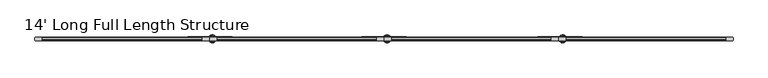
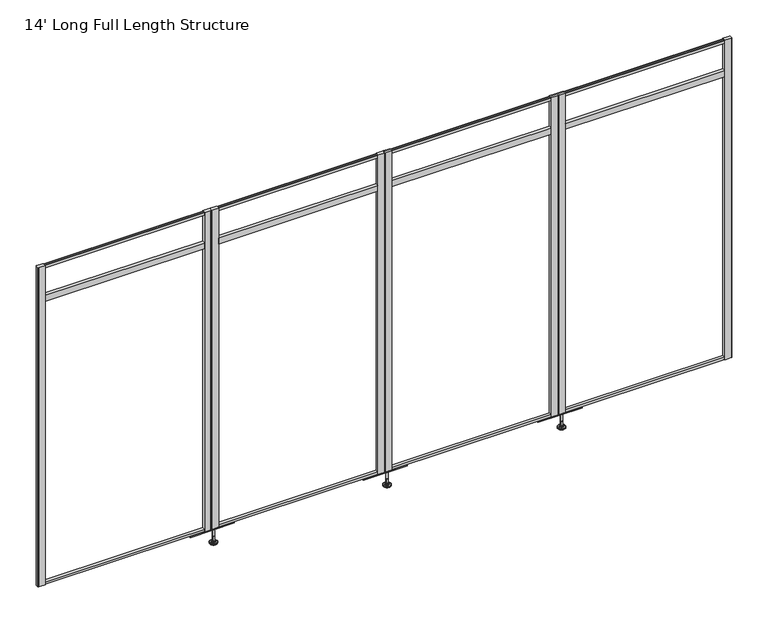
"""IFC4 building model written with IfcOpenShell, lengths in millimetres: furniture geometry, 14' Long Full Length Structure."""

from ifc_helpers import new_model, si_unit, frame, origin, place, context, project, spatial, polyline, circle_curve, outline, extrude, source, transform, mapped, element, save
from ifc_brep_helpers import plane_surface, cylinder_surface, revolved_surface, advanced_brep


def furniture_14_long_full_length_structure_db2d3ff6(model_context):
    return source(origin(), model_context, "Body", "SolidModel", [
        advanced_brep(
        [(1086.6588665, 0.0, 101.6), (1095.6367879, 0.0, 101.6), (1077.6809451, 0.0, 101.6), (1072.5546265, 0.0, 0.0206943), (1100.7631064, 0.0, 0.0206943), (1086.6588665, 0.0, 0.0206943), (1067.6765948, 0.0, 1.4194474), (1105.6411381, 0.0, 1.4194474), (1063.9146798, 0.0, 4.7394056), (1109.4030532, 0.0, 4.7394056), (1062.7972301, 0.0, 7.5051905), (1110.5205028, 0.0, 7.5051905), (1062.7972301, 0.0, 8.3065967), (1110.5205028, 0.0, 8.3065967), (1063.6396333, 0.0, 9.8469348), (1109.6780996, 0.0, 9.8469348), (1064.739776, 0.0, 10.8375077), (1108.577957, 0.0, 10.8375077), (1072.0434712, 0.0, 12.7338946), (1101.2742617, 0.0, 12.7338946), (1079.4616226, 0.0, 13.3828987), (1093.8561104, 0.0, 13.3828987), (1079.4616226, 0.0, 14.1772758), (1093.8561104, 0.0, 14.1772758), (1081.8584154, 0.0, 14.1772758), (1091.4593175, 0.0, 14.1772758), (1081.8584154, 0.0, 18.8098403), (1091.4593175, 0.0, 18.8098403), (1080.8425627, 0.0, 19.8256929), (1092.4751702, 0.0, 19.8256929), (1080.8425627, 0.0, 48.3056352), (1092.4751702, 0.0, 48.3056352), (1079.6190349, 0.0, 49.9293116), (1093.6986981, 0.0, 49.9293116), (1079.6190349, 0.0, 97.327223), (1093.6986981, 0.0, 97.327223), (1078.7379305, 0.0, 97.6479188), (1094.5798025, 0.0, 97.6479188), (1077.6889415, 0.0, 97.6479188), (1095.6287914, 0.0, 97.6479188), (1076.0239116, 0.0, 98.6092242), (1097.2938213, 0.0, 98.6092242), (1076.0239116, 0.0, 100.6043539), (1097.2938213, 0.0, 100.6043539)],
        [
            (0, 1),
            (1, 2, circle_curve(frame((1086.6588665, 0.0, 101.6), z_axis=(0.0, 0.0, 1.0), x_axis=(1.0, 0.0, 0.0)), 8.9779214)),
            (2, 0),
            (2, 1, circle_curve(frame((1086.6588665, 0.0, 101.6), z_axis=(0.0, 0.0, 1.0), x_axis=(1.0, 0.0, 0.0)), 8.9779214)),
            (3, 4, circle_curve(frame((1086.6588665, 0.0, 0.0206943), z_axis=(0.0, 0.0, -1.0), x_axis=(1.0, 0.0, 0.0)), 14.1042399)),
            (4, 5),
            (5, 3),
            (4, 3, circle_curve(frame((1086.6588665, 0.0, 0.0206943), z_axis=(0.0, 0.0, -1.0), x_axis=(1.0, 0.0, 0.0)), 14.1042399)),
            (6, 7, circle_curve(frame((1086.6588665, 0.0, 1.4194474), z_axis=(0.0, 0.0, -1.0), x_axis=(1.0, 0.0, 0.0)), 18.9822717)),
            (7, 4),
            (3, 6),
            (7, 6, circle_curve(frame((1086.6588665, 0.0, 1.4194474), z_axis=(0.0, 0.0, -1.0), x_axis=(1.0, 0.0, 0.0)), 18.9822717)),
            (8, 9, circle_curve(frame((1086.6588665, 0.0, 4.7394056), z_axis=(0.0, 0.0, -1.0), x_axis=(1.0, 0.0, 0.0)), 22.7441867)),
            (9, 7),
            (6, 8),
            (9, 8, circle_curve(frame((1086.6588665, 0.0, 4.7394056), z_axis=(0.0, 0.0, -1.0), x_axis=(1.0, 0.0, 0.0)), 22.7441867)),
            (10, 11, circle_curve(frame((1086.6588665, 0.0, 7.5051905), z_axis=(0.0, 0.0, -1.0), x_axis=(1.0, 0.0, 0.0)), 23.8616363)),
            (11, 9),
            (8, 10),
            (11, 10, circle_curve(frame((1086.6588665, 0.0, 7.5051905), z_axis=(0.0, 0.0, -1.0), x_axis=(1.0, 0.0, 0.0)), 23.8616363)),
            (12, 13, circle_curve(frame((1086.6588665, 0.0, 8.3065967), z_axis=(0.0, 0.0, -1.0), x_axis=(1.0, 0.0, 0.0)), 23.8616363)),
            (13, 11),
            (10, 12),
            (13, 12, circle_curve(frame((1086.6588665, 0.0, 8.3065967), z_axis=(0.0, 0.0, -1.0), x_axis=(1.0, 0.0, 0.0)), 23.8616363)),
            (14, 15, circle_curve(frame((1086.6588665, 0.0, 9.8469348), z_axis=(0.0, 0.0, -1.0), x_axis=(1.0, 0.0, 0.0)), 23.0192331)),
            (15, 13),
            (12, 14),
            (15, 14, circle_curve(frame((1086.6588665, 0.0, 9.8469348), z_axis=(0.0, 0.0, -1.0), x_axis=(1.0, 0.0, 0.0)), 23.0192331)),
            (16, 17, circle_curve(frame((1086.6588665, 0.0, 10.8375077), z_axis=(0.0, 0.0, -1.0), x_axis=(1.0, 0.0, 0.0)), 21.9190905)),
            (17, 15),
            (14, 16),
            (17, 16, circle_curve(frame((1086.6588665, 0.0, 10.8375077), z_axis=(0.0, 0.0, -1.0), x_axis=(1.0, 0.0, 0.0)), 21.9190905)),
            (18, 19, circle_curve(frame((1086.6588665, 0.0, 12.7338946), z_axis=(0.0, 0.0, -1.0), x_axis=(1.0, 0.0, 0.0)), 14.6153953)),
            (19, 17),
            (16, 18),
            (19, 18, circle_curve(frame((1086.6588665, 0.0, 12.7338946), z_axis=(0.0, 0.0, -1.0), x_axis=(1.0, 0.0, 0.0)), 14.6153953)),
            (20, 21, circle_curve(frame((1086.6588665, 0.0, 13.3828987), z_axis=(0.0, 0.0, -1.0), x_axis=(1.0, 0.0, 0.0)), 7.1972439)),
            (21, 19),
            (18, 20),
            (21, 20, circle_curve(frame((1086.6588665, 0.0, 13.3828987), z_axis=(0.0, 0.0, -1.0), x_axis=(1.0, 0.0, 0.0)), 7.1972439)),
            (22, 23, circle_curve(frame((1086.6588665, 0.0, 14.1772758), z_axis=(0.0, 0.0, -1.0), x_axis=(1.0, 0.0, 0.0)), 7.1972439)),
            (23, 21),
            (20, 22),
            (23, 22, circle_curve(frame((1086.6588665, 0.0, 14.1772758), z_axis=(0.0, 0.0, -1.0), x_axis=(1.0, 0.0, 0.0)), 7.1972439)),
            (24, 25, circle_curve(frame((1086.6588665, 0.0, 14.1772758), z_axis=(0.0, 0.0, -1.0), x_axis=(1.0, 0.0, 0.0)), 4.8004511)),
            (25, 23),
            (22, 24),
            (25, 24, circle_curve(frame((1086.6588665, 0.0, 14.1772758), z_axis=(0.0, 0.0, -1.0), x_axis=(1.0, 0.0, 0.0)), 4.8004511)),
            (26, 27, circle_curve(frame((1086.6588665, 0.0, 18.8098403), z_axis=(0.0, 0.0, -1.0), x_axis=(1.0, 0.0, 0.0)), 4.8004511)),
            (27, 25),
            (24, 26),
            (27, 26, circle_curve(frame((1086.6588665, 0.0, 18.8098403), z_axis=(0.0, 0.0, -1.0), x_axis=(1.0, 0.0, 0.0)), 4.8004511)),
            (28, 29, circle_curve(frame((1086.6588665, 0.0, 19.8256929), z_axis=(0.0, 0.0, -1.0), x_axis=(1.0, 0.0, 0.0)), 5.8163037)),
            (29, 27),
            (26, 28),
            (29, 28, circle_curve(frame((1086.6588665, 0.0, 19.8256929), z_axis=(0.0, 0.0, -1.0), x_axis=(1.0, 0.0, 0.0)), 5.8163037)),
            (30, 31, circle_curve(frame((1086.6588665, 0.0, 48.3056352), z_axis=(0.0, 0.0, -1.0), x_axis=(1.0, 0.0, 0.0)), 5.8163037)),
            (31, 29),
            (28, 30),
            (31, 30, circle_curve(frame((1086.6588665, 0.0, 48.3056352), z_axis=(0.0, 0.0, -1.0), x_axis=(1.0, 0.0, 0.0)), 5.8163037)),
            (32, 33, circle_curve(frame((1086.6588665, 0.0, 49.9293116), z_axis=(0.0, 0.0, -1.0), x_axis=(1.0, 0.0, 0.0)), 7.0398316)),
            (33, 31),
            (30, 32),
            (33, 32, circle_curve(frame((1086.6588665, 0.0, 49.9293116), z_axis=(0.0, 0.0, -1.0), x_axis=(1.0, 0.0, 0.0)), 7.0398316)),
            (34, 35, circle_curve(frame((1086.6588665, 0.0, 97.327223), z_axis=(0.0, 0.0, -1.0), x_axis=(1.0, 0.0, 0.0)), 7.0398316)),
            (35, 33),
            (32, 34),
            (35, 34, circle_curve(frame((1086.6588665, 0.0, 97.327223), z_axis=(0.0, 0.0, -1.0), x_axis=(1.0, 0.0, 0.0)), 7.0398316)),
            (36, 37, circle_curve(frame((1086.6588665, 0.0, 97.6479188), z_axis=(0.0, 0.0, -1.0), x_axis=(1.0, 0.0, 0.0)), 7.920936)),
            (37, 35),
            (34, 36),
            (37, 36, circle_curve(frame((1086.6588665, 0.0, 97.6479188), z_axis=(0.0, 0.0, -1.0), x_axis=(1.0, 0.0, 0.0)), 7.920936)),
            (38, 39, circle_curve(frame((1086.6588665, 0.0, 97.6479188), z_axis=(0.0, 0.0, -1.0), x_axis=(1.0, 0.0, 0.0)), 8.9699249)),
            (39, 37),
            (36, 38),
            (39, 38, circle_curve(frame((1086.6588665, 0.0, 97.6479188), z_axis=(0.0, 0.0, -1.0), x_axis=(1.0, 0.0, 0.0)), 8.9699249)),
            (40, 41, circle_curve(frame((1086.6588665, 0.0, 98.6092242), z_axis=(0.0, 0.0, -1.0), x_axis=(1.0, 0.0, 0.0)), 10.6349548)),
            (41, 39),
            (38, 40),
            (41, 40, circle_curve(frame((1086.6588665, 0.0, 98.6092242), z_axis=(0.0, 0.0, -1.0), x_axis=(1.0, 0.0, 0.0)), 10.6349548)),
            (42, 43, circle_curve(frame((1086.6588665, 0.0, 100.6043539), z_axis=(0.0, 0.0, -1.0), x_axis=(1.0, 0.0, 0.0)), 10.6349548)),
            (43, 41),
            (40, 42),
            (43, 42, circle_curve(frame((1086.6588665, 0.0, 100.6043539), z_axis=(0.0, 0.0, -1.0), x_axis=(1.0, 0.0, 0.0)), 10.6349548)),
            (1, 43),
            (42, 2),
        ],
        [
            plane_surface(frame((1086.6588665, 0.0, 101.6), z_axis=(0.0, 0.0, 1.0), x_axis=(1.0, 0.0, 0.0))),
            plane_surface(frame((1086.6588665, 0.0, 0.0206943), z_axis=(0.0, 0.0, -1.0), x_axis=(1.0, 0.0, 0.0))),
            revolved_surface(polyline([(1100.7631064, 0.0, 0.0206943), (1105.6411381, 0.0, 1.4194474)]), (1086.6588665, 0.0, 101.6), (0.0, 0.0, 1.0)),
            revolved_surface(polyline([(1105.6411381, 0.0, 1.4194474), (1109.4030532, 0.0, 4.7394056)]), (1086.6588665, 0.0, 101.6), (0.0, 0.0, 1.0)),
            revolved_surface(polyline([(1109.4030532, 0.0, 4.7394056), (1110.5205028, 0.0, 7.5051905)]), (1086.6588665, 0.0, 101.6), (0.0, 0.0, 1.0)),
            cylinder_surface(frame((1086.6588665, 0.0, 101.6), z_axis=(0.0, 0.0, 1.0), x_axis=(1.0, 0.0, 0.0)), 23.8616363),
            revolved_surface(polyline([(1110.5205028, 0.0, 8.3065967), (1109.6780996, 0.0, 9.8469348)]), (1086.6588665, 0.0, 101.6), (0.0, 0.0, 1.0)),
            revolved_surface(polyline([(1109.6780996, 0.0, 9.8469348), (1108.577957, 0.0, 10.8375077)]), (1086.6588665, 0.0, 101.6), (0.0, 0.0, 1.0)),
            revolved_surface(polyline([(1108.577957, 0.0, 10.8375077), (1101.2742617, 0.0, 12.7338946)]), (1086.6588665, 0.0, 101.6), (0.0, 0.0, 1.0)),
            revolved_surface(polyline([(1101.2742617, 0.0, 12.7338946), (1093.8561104, 0.0, 13.3828987)]), (1086.6588665, 0.0, 101.6), (0.0, 0.0, 1.0)),
            cylinder_surface(frame((1086.6588665, 0.0, 101.6), z_axis=(0.0, 0.0, 1.0), x_axis=(1.0, 0.0, 0.0)), 7.1972439),
            plane_surface(frame((1086.6588665, 0.0, 14.1772758), z_axis=(0.0, 0.0, 1.0), x_axis=(1.0, 0.0, 0.0))),
            cylinder_surface(frame((1086.6588665, 0.0, 101.6), z_axis=(0.0, 0.0, 1.0), x_axis=(1.0, 0.0, 0.0)), 4.8004511),
            revolved_surface(polyline([(1091.4593175, 0.0, 18.8098403), (1092.4751702, 0.0, 19.8256929)]), (1086.6588665, 0.0, 101.6), (0.0, 0.0, 1.0)),
            cylinder_surface(frame((1086.6588665, 0.0, 101.6), z_axis=(0.0, 0.0, 1.0), x_axis=(1.0, 0.0, 0.0)), 5.8163037),
            revolved_surface(polyline([(1092.4751702, 0.0, 48.3056352), (1093.6986981, 0.0, 49.9293116)]), (1086.6588665, 0.0, 101.6), (0.0, 0.0, 1.0)),
            cylinder_surface(frame((1086.6588665, 0.0, 101.6), z_axis=(0.0, 0.0, 1.0), x_axis=(1.0, 0.0, 0.0)), 7.0398316),
            revolved_surface(polyline([(1093.6986981, 0.0, 97.327223), (1094.5798025, 0.0, 97.6479188)]), (1086.6588665, 0.0, 101.6), (0.0, 0.0, 1.0)),
            plane_surface(frame((1086.6588665, 0.0, 97.6479188), z_axis=(0.0, 0.0, -1.0), x_axis=(1.0, 0.0, 0.0))),
            revolved_surface(polyline([(1095.6287914, 0.0, 97.6479188), (1097.2938213, 0.0, 98.6092242)]), (1086.6588665, 0.0, 101.6), (0.0, 0.0, 1.0)),
            cylinder_surface(frame((1086.6588665, 0.0, 101.6), z_axis=(0.0, 0.0, 1.0), x_axis=(1.0, 0.0, 0.0)), 10.6349548),
            revolved_surface(polyline([(1097.2938213, 0.0, 100.6043539), (1095.6367879, 0.0, 101.6)]), (1086.6588665, 0.0, 101.6), (0.0, 0.0, 1.0)),
        ],
        [
            (0, [[1, 2, 3]]),
            (0, [[-3, 4, -1]]),
            (1, [[5, 6, 7]]),
            (1, [[8, -7, -6]]),
            (2, [[9, 10, -5, 11]]),
            (2, [[12, -11, -8, -10]]),
            (3, [[13, 14, -9, 15]]),
            (3, [[16, -15, -12, -14]]),
            (4, [[17, 18, -13, 19]]),
            (4, [[20, -19, -16, -18]]),
            (5, [[21, 22, -17, 23]]),
            (5, [[24, -23, -20, -22]]),
            (6, [[25, 26, -21, 27]]),
            (6, [[28, -27, -24, -26]]),
            (7, [[29, 30, -25, 31]]),
            (7, [[32, -31, -28, -30]]),
            (8, [[33, 34, -29, 35]]),
            (8, [[36, -35, -32, -34]]),
            (9, [[37, 38, -33, 39]]),
            (9, [[40, -39, -36, -38]]),
            (10, [[41, 42, -37, 43]]),
            (10, [[44, -43, -40, -42]]),
            (11, [[45, 46, -41, 47]]),
            (11, [[48, -47, -44, -46]]),
            (12, [[49, 50, -45, 51]]),
            (12, [[52, -51, -48, -50]]),
            (13, [[53, 54, -49, 55]]),
            (13, [[56, -55, -52, -54]]),
            (14, [[57, 58, -53, 59]]),
            (14, [[60, -59, -56, -58]]),
            (15, [[61, 62, -57, 63]]),
            (15, [[64, -63, -60, -62]]),
            (16, [[65, 66, -61, 67]]),
            (16, [[68, -67, -64, -66]]),
            (17, [[69, 70, -65, 71]]),
            (17, [[72, -71, -68, -70]]),
            (18, [[73, 74, -69, 75]]),
            (18, [[76, -75, -72, -74]]),
            (19, [[77, 78, -73, 79]]),
            (19, [[80, -79, -76, -78]]),
            (20, [[81, 82, -77, 83]]),
            (20, [[84, -83, -80, -82]]),
            (21, [[-2, 85, -81, 86]]),
            (21, [[-4, -86, -84, -85]]),
        ],
    ),
        advanced_brep(
        [(2156.5576665, 0.0, 101.6), (2165.5355879, 0.0, 101.6), (2147.5797451, 0.0, 101.6), (2142.4534265, 0.0, 0.0206943), (2170.6619064, 0.0, 0.0206943), (2156.5576665, 0.0, 0.0206943), (2137.5753948, 0.0, 1.4194474), (2175.5399381, 0.0, 1.4194474), (2133.8134798, 0.0, 4.7394056), (2179.3018532, 0.0, 4.7394056), (2132.6960301, 0.0, 7.5051905), (2180.4193028, 0.0, 7.5051905), (2132.6960301, 0.0, 8.3065967), (2180.4193028, 0.0, 8.3065967), (2133.5384333, 0.0, 9.8469348), (2179.5768996, 0.0, 9.8469348), (2134.638576, 0.0, 10.8375077), (2178.476757, 0.0, 10.8375077), (2141.9422712, 0.0, 12.7338946), (2171.1730617, 0.0, 12.7338946), (2149.3604226, 0.0, 13.3828987), (2163.7549104, 0.0, 13.3828987), (2149.3604226, 0.0, 14.1772758), (2163.7549104, 0.0, 14.1772758), (2151.7572154, 0.0, 14.1772758), (2161.3581175, 0.0, 14.1772758), (2151.7572154, 0.0, 18.8098403), (2161.3581175, 0.0, 18.8098403), (2150.7413627, 0.0, 19.8256929), (2162.3739702, 0.0, 19.8256929), (2150.7413627, 0.0, 48.3056352), (2162.3739702, 0.0, 48.3056352), (2149.5178349, 0.0, 49.9293116), (2163.5974981, 0.0, 49.9293116), (2149.5178349, 0.0, 97.327223), (2163.5974981, 0.0, 97.327223), (2148.6367305, 0.0, 97.6479188), (2164.4786025, 0.0, 97.6479188), (2147.5877415, 0.0, 97.6479188), (2165.5275914, 0.0, 97.6479188), (2145.9227116, 0.0, 98.6092242), (2167.1926213, 0.0, 98.6092242), (2145.9227116, 0.0, 100.6043539), (2167.1926213, 0.0, 100.6043539)],
        [
            (0, 1),
            (1, 2, circle_curve(frame((2156.5576665, 0.0, 101.6), z_axis=(0.0, 0.0, 1.0), x_axis=(1.0, 0.0, 0.0)), 8.9779214)),
            (2, 0),
            (2, 1, circle_curve(frame((2156.5576665, 0.0, 101.6), z_axis=(0.0, 0.0, 1.0), x_axis=(1.0, 0.0, 0.0)), 8.9779214)),
            (3, 4, circle_curve(frame((2156.5576665, 0.0, 0.0206943), z_axis=(0.0, 0.0, -1.0), x_axis=(1.0, 0.0, 0.0)), 14.1042399)),
            (4, 5),
            (5, 3),
            (4, 3, circle_curve(frame((2156.5576665, 0.0, 0.0206943), z_axis=(0.0, 0.0, -1.0), x_axis=(1.0, 0.0, 0.0)), 14.1042399)),
            (6, 7, circle_curve(frame((2156.5576665, 0.0, 1.4194474), z_axis=(0.0, 0.0, -1.0), x_axis=(1.0, 0.0, 0.0)), 18.9822717)),
            (7, 4),
            (3, 6),
            (7, 6, circle_curve(frame((2156.5576665, 0.0, 1.4194474), z_axis=(0.0, 0.0, -1.0), x_axis=(1.0, 0.0, 0.0)), 18.9822717)),
            (8, 9, circle_curve(frame((2156.5576665, 0.0, 4.7394056), z_axis=(0.0, 0.0, -1.0), x_axis=(1.0, 0.0, 0.0)), 22.7441867)),
            (9, 7),
            (6, 8),
            (9, 8, circle_curve(frame((2156.5576665, 0.0, 4.7394056), z_axis=(0.0, 0.0, -1.0), x_axis=(1.0, 0.0, 0.0)), 22.7441867)),
            (10, 11, circle_curve(frame((2156.5576665, 0.0, 7.5051905), z_axis=(0.0, 0.0, -1.0), x_axis=(1.0, 0.0, 0.0)), 23.8616363)),
            (11, 9),
            (8, 10),
            (11, 10, circle_curve(frame((2156.5576665, 0.0, 7.5051905), z_axis=(0.0, 0.0, -1.0), x_axis=(1.0, 0.0, 0.0)), 23.8616363)),
            (12, 13, circle_curve(frame((2156.5576665, 0.0, 8.3065967), z_axis=(0.0, 0.0, -1.0), x_axis=(1.0, 0.0, 0.0)), 23.8616363)),
            (13, 11),
            (10, 12),
            (13, 12, circle_curve(frame((2156.5576665, 0.0, 8.3065967), z_axis=(0.0, 0.0, -1.0), x_axis=(1.0, 0.0, 0.0)), 23.8616363)),
            (14, 15, circle_curve(frame((2156.5576665, 0.0, 9.8469348), z_axis=(0.0, 0.0, -1.0), x_axis=(1.0, 0.0, 0.0)), 23.0192331)),
            (15, 13),
            (12, 14),
            (15, 14, circle_curve(frame((2156.5576665, 0.0, 9.8469348), z_axis=(0.0, 0.0, -1.0), x_axis=(1.0, 0.0, 0.0)), 23.0192331)),
            (16, 17, circle_curve(frame((2156.5576665, 0.0, 10.8375077), z_axis=(0.0, 0.0, -1.0), x_axis=(1.0, 0.0, 0.0)), 21.9190905)),
            (17, 15),
            (14, 16),
            (17, 16, circle_curve(frame((2156.5576665, 0.0, 10.8375077), z_axis=(0.0, 0.0, -1.0), x_axis=(1.0, 0.0, 0.0)), 21.9190905)),
            (18, 19, circle_curve(frame((2156.5576665, 0.0, 12.7338946), z_axis=(0.0, 0.0, -1.0), x_axis=(1.0, 0.0, 0.0)), 14.6153953)),
            (19, 17),
            (16, 18),
            (19, 18, circle_curve(frame((2156.5576665, 0.0, 12.7338946), z_axis=(0.0, 0.0, -1.0), x_axis=(1.0, 0.0, 0.0)), 14.6153953)),
            (20, 21, circle_curve(frame((2156.5576665, 0.0, 13.3828987), z_axis=(0.0, 0.0, -1.0), x_axis=(1.0, 0.0, 0.0)), 7.1972439)),
            (21, 19),
            (18, 20),
            (21, 20, circle_curve(frame((2156.5576665, 0.0, 13.3828987), z_axis=(0.0, 0.0, -1.0), x_axis=(1.0, 0.0, 0.0)), 7.1972439)),
            (22, 23, circle_curve(frame((2156.5576665, 0.0, 14.1772758), z_axis=(0.0, 0.0, -1.0), x_axis=(1.0, 0.0, 0.0)), 7.1972439)),
            (23, 21),
            (20, 22),
            (23, 22, circle_curve(frame((2156.5576665, 0.0, 14.1772758), z_axis=(0.0, 0.0, -1.0), x_axis=(1.0, 0.0, 0.0)), 7.1972439)),
            (24, 25, circle_curve(frame((2156.5576665, 0.0, 14.1772758), z_axis=(0.0, 0.0, -1.0), x_axis=(1.0, 0.0, 0.0)), 4.8004511)),
            (25, 23),
            (22, 24),
            (25, 24, circle_curve(frame((2156.5576665, 0.0, 14.1772758), z_axis=(0.0, 0.0, -1.0), x_axis=(1.0, 0.0, 0.0)), 4.8004511)),
            (26, 27, circle_curve(frame((2156.5576665, 0.0, 18.8098403), z_axis=(0.0, 0.0, -1.0), x_axis=(1.0, 0.0, 0.0)), 4.8004511)),
            (27, 25),
            (24, 26),
            (27, 26, circle_curve(frame((2156.5576665, 0.0, 18.8098403), z_axis=(0.0, 0.0, -1.0), x_axis=(1.0, 0.0, 0.0)), 4.8004511)),
            (28, 29, circle_curve(frame((2156.5576665, 0.0, 19.8256929), z_axis=(0.0, 0.0, -1.0), x_axis=(1.0, 0.0, 0.0)), 5.8163037)),
            (29, 27),
            (26, 28),
            (29, 28, circle_curve(frame((2156.5576665, 0.0, 19.8256929), z_axis=(0.0, 0.0, -1.0), x_axis=(1.0, 0.0, 0.0)), 5.8163037)),
            (30, 31, circle_curve(frame((2156.5576665, 0.0, 48.3056352), z_axis=(0.0, 0.0, -1.0), x_axis=(1.0, 0.0, 0.0)), 5.8163037)),
            (31, 29),
            (28, 30),
            (31, 30, circle_curve(frame((2156.5576665, 0.0, 48.3056352), z_axis=(0.0, 0.0, -1.0), x_axis=(1.0, 0.0, 0.0)), 5.8163037)),
            (32, 33, circle_curve(frame((2156.5576665, 0.0, 49.9293116), z_axis=(0.0, 0.0, -1.0), x_axis=(1.0, 0.0, 0.0)), 7.0398316)),
            (33, 31),
            (30, 32),
            (33, 32, circle_curve(frame((2156.5576665, 0.0, 49.9293116), z_axis=(0.0, 0.0, -1.0), x_axis=(1.0, 0.0, 0.0)), 7.0398316)),
            (34, 35, circle_curve(frame((2156.5576665, 0.0, 97.327223), z_axis=(0.0, 0.0, -1.0), x_axis=(1.0, 0.0, 0.0)), 7.0398316)),
            (35, 33),
            (32, 34),
            (35, 34, circle_curve(frame((2156.5576665, 0.0, 97.327223), z_axis=(0.0, 0.0, -1.0), x_axis=(1.0, 0.0, 0.0)), 7.0398316)),
            (36, 37, circle_curve(frame((2156.5576665, 0.0, 97.6479188), z_axis=(0.0, 0.0, -1.0), x_axis=(1.0, 0.0, 0.0)), 7.920936)),
            (37, 35),
            (34, 36),
            (37, 36, circle_curve(frame((2156.5576665, 0.0, 97.6479188), z_axis=(0.0, 0.0, -1.0), x_axis=(1.0, 0.0, 0.0)), 7.920936)),
            (38, 39, circle_curve(frame((2156.5576665, 0.0, 97.6479188), z_axis=(0.0, 0.0, -1.0), x_axis=(1.0, 0.0, 0.0)), 8.9699249)),
            (39, 37),
            (36, 38),
            (39, 38, circle_curve(frame((2156.5576665, 0.0, 97.6479188), z_axis=(0.0, 0.0, -1.0), x_axis=(1.0, 0.0, 0.0)), 8.9699249)),
            (40, 41, circle_curve(frame((2156.5576665, 0.0, 98.6092242), z_axis=(0.0, 0.0, -1.0), x_axis=(1.0, 0.0, 0.0)), 10.6349548)),
            (41, 39),
            (38, 40),
            (41, 40, circle_curve(frame((2156.5576665, 0.0, 98.6092242), z_axis=(0.0, 0.0, -1.0), x_axis=(1.0, 0.0, 0.0)), 10.6349548)),
            (42, 43, circle_curve(frame((2156.5576665, 0.0, 100.6043539), z_axis=(0.0, 0.0, -1.0), x_axis=(1.0, 0.0, 0.0)), 10.6349548)),
            (43, 41),
            (40, 42),
            (43, 42, circle_curve(frame((2156.5576665, 0.0, 100.6043539), z_axis=(0.0, 0.0, -1.0), x_axis=(1.0, 0.0, 0.0)), 10.6349548)),
            (1, 43),
            (42, 2),
        ],
        [
            plane_surface(frame((2156.5576665, 0.0, 101.6), z_axis=(0.0, 0.0, 1.0), x_axis=(1.0, 0.0, 0.0))),
            plane_surface(frame((2156.5576665, 0.0, 0.0206943), z_axis=(0.0, 0.0, -1.0), x_axis=(1.0, 0.0, 0.0))),
            revolved_surface(polyline([(2170.6619064, 0.0, 0.0206943), (2175.5399381, 0.0, 1.4194474)]), (2156.5576665, 0.0, 101.6), (0.0, 0.0, 1.0)),
            revolved_surface(polyline([(2175.5399381, 0.0, 1.4194474), (2179.3018532, 0.0, 4.7394056)]), (2156.5576665, 0.0, 101.6), (0.0, 0.0, 1.0)),
            revolved_surface(polyline([(2179.3018532, 0.0, 4.7394056), (2180.4193028, 0.0, 7.5051905)]), (2156.5576665, 0.0, 101.6), (0.0, 0.0, 1.0)),
            cylinder_surface(frame((2156.5576665, 0.0, 101.6), z_axis=(0.0, 0.0, 1.0), x_axis=(1.0, 0.0, 0.0)), 23.8616363),
            revolved_surface(polyline([(2180.4193028, 0.0, 8.3065967), (2179.5768996, 0.0, 9.8469348)]), (2156.5576665, 0.0, 101.6), (0.0, 0.0, 1.0)),
            revolved_surface(polyline([(2179.5768996, 0.0, 9.8469348), (2178.476757, 0.0, 10.8375077)]), (2156.5576665, 0.0, 101.6), (0.0, 0.0, 1.0)),
            revolved_surface(polyline([(2178.476757, 0.0, 10.8375077), (2171.1730617, 0.0, 12.7338946)]), (2156.5576665, 0.0, 101.6), (0.0, 0.0, 1.0)),
            revolved_surface(polyline([(2171.1730617, 0.0, 12.7338946), (2163.7549104, 0.0, 13.3828987)]), (2156.5576665, 0.0, 101.6), (0.0, 0.0, 1.0)),
            cylinder_surface(frame((2156.5576665, 0.0, 101.6), z_axis=(0.0, 0.0, 1.0), x_axis=(1.0, 0.0, 0.0)), 7.1972439),
            plane_surface(frame((2156.5576665, 0.0, 14.1772758), z_axis=(0.0, 0.0, 1.0), x_axis=(1.0, 0.0, 0.0))),
            cylinder_surface(frame((2156.5576665, 0.0, 101.6), z_axis=(0.0, 0.0, 1.0), x_axis=(1.0, 0.0, 0.0)), 4.8004511),
            revolved_surface(polyline([(2161.3581175, 0.0, 18.8098403), (2162.3739702, 0.0, 19.8256929)]), (2156.5576665, 0.0, 101.6), (0.0, 0.0, 1.0)),
            cylinder_surface(frame((2156.5576665, 0.0, 101.6), z_axis=(0.0, 0.0, 1.0), x_axis=(1.0, 0.0, 0.0)), 5.8163037),
            revolved_surface(polyline([(2162.3739702, 0.0, 48.3056352), (2163.5974981, 0.0, 49.9293116)]), (2156.5576665, 0.0, 101.6), (0.0, 0.0, 1.0)),
            cylinder_surface(frame((2156.5576665, 0.0, 101.6), z_axis=(0.0, 0.0, 1.0), x_axis=(1.0, 0.0, 0.0)), 7.0398316),
            revolved_surface(polyline([(2163.5974981, 0.0, 97.327223), (2164.4786025, 0.0, 97.6479188)]), (2156.5576665, 0.0, 101.6), (0.0, 0.0, 1.0)),
            plane_surface(frame((2156.5576665, 0.0, 97.6479188), z_axis=(0.0, 0.0, -1.0), x_axis=(1.0, 0.0, 0.0))),
            revolved_surface(polyline([(2165.5275914, 0.0, 97.6479188), (2167.1926213, 0.0, 98.6092242)]), (2156.5576665, 0.0, 101.6), (0.0, 0.0, 1.0)),
            cylinder_surface(frame((2156.5576665, 0.0, 101.6), z_axis=(0.0, 0.0, 1.0), x_axis=(1.0, 0.0, 0.0)), 10.6349548),
            revolved_surface(polyline([(2167.1926213, 0.0, 100.6043539), (2165.5355879, 0.0, 101.6)]), (2156.5576665, 0.0, 101.6), (0.0, 0.0, 1.0)),
        ],
        [
            (0, [[1, 2, 3]]),
            (0, [[-3, 4, -1]]),
            (1, [[5, 6, 7]]),
            (1, [[8, -7, -6]]),
            (2, [[9, 10, -5, 11]]),
            (2, [[12, -11, -8, -10]]),
            (3, [[13, 14, -9, 15]]),
            (3, [[16, -15, -12, -14]]),
            (4, [[17, 18, -13, 19]]),
            (4, [[20, -19, -16, -18]]),
            (5, [[21, 22, -17, 23]]),
            (5, [[24, -23, -20, -22]]),
            (6, [[25, 26, -21, 27]]),
            (6, [[28, -27, -24, -26]]),
            (7, [[29, 30, -25, 31]]),
            (7, [[32, -31, -28, -30]]),
            (8, [[33, 34, -29, 35]]),
            (8, [[36, -35, -32, -34]]),
            (9, [[37, 38, -33, 39]]),
            (9, [[40, -39, -36, -38]]),
            (10, [[41, 42, -37, 43]]),
            (10, [[44, -43, -40, -42]]),
            (11, [[45, 46, -41, 47]]),
            (11, [[48, -47, -44, -46]]),
            (12, [[49, 50, -45, 51]]),
            (12, [[52, -51, -48, -50]]),
            (13, [[53, 54, -49, 55]]),
            (13, [[56, -55, -52, -54]]),
            (14, [[57, 58, -53, 59]]),
            (14, [[60, -59, -56, -58]]),
            (15, [[61, 62, -57, 63]]),
            (15, [[64, -63, -60, -62]]),
            (16, [[65, 66, -61, 67]]),
            (16, [[68, -67, -64, -66]]),
            (17, [[69, 70, -65, 71]]),
            (17, [[72, -71, -68, -70]]),
            (18, [[73, 74, -69, 75]]),
            (18, [[76, -75, -72, -74]]),
            (19, [[77, 78, -73, 79]]),
            (19, [[80, -79, -76, -78]]),
            (20, [[81, 82, -77, 83]]),
            (20, [[84, -83, -80, -82]]),
            (21, [[-2, 85, -81, 86]]),
            (21, [[-4, -86, -84, -85]]),
        ],
    ),
        advanced_brep(
        [(3231.9255716, 0.0, 101.6), (3240.903493, 0.0, 101.6), (3222.9476502, 0.0, 101.6), (3246.0298115, 0.0, 0.0206943), (3231.9255716, 0.0, 0.0206943), (3217.8213317, 0.0, 0.0206943), (3250.9078433, 0.0, 1.4194474), (3212.9432999, 0.0, 1.4194474), (3254.6697583, 0.0, 4.7394056), (3209.1813849, 0.0, 4.7394056), (3255.7872079, 0.0, 7.5051905), (3208.0639353, 0.0, 7.5051905), (3255.7872079, 0.0, 8.3065967), (3208.0639353, 0.0, 8.3065967), (3254.9448047, 0.0, 9.8469348), (3208.9063385, 0.0, 9.8469348), (3253.8446621, 0.0, 10.8375077), (3210.0064811, 0.0, 10.8375077), (3246.5409669, 0.0, 12.7338946), (3217.3101763, 0.0, 12.7338946), (3239.1228155, 0.0, 13.3828987), (3224.7283277, 0.0, 13.3828987), (3239.1228155, 0.0, 14.1772758), (3224.7283277, 0.0, 14.1772758), (3236.7260227, 0.0, 14.1772758), (3227.1251205, 0.0, 14.1772758), (3236.7260227, 0.0, 18.8098403), (3227.1251205, 0.0, 18.8098403), (3237.7418753, 0.0, 19.8256929), (3226.1092679, 0.0, 19.8256929), (3237.7418753, 0.0, 48.3056352), (3226.1092679, 0.0, 48.3056352), (3238.9654032, 0.0, 49.9293116), (3224.88574, 0.0, 49.9293116), (3238.9654032, 0.0, 97.327223), (3224.88574, 0.0, 97.327223), (3239.8465076, 0.0, 97.6479188), (3224.0046356, 0.0, 97.6479188), (3240.8954965, 0.0, 97.6479188), (3222.9556467, 0.0, 97.6479188), (3242.5605264, 0.0, 98.6092242), (3221.2906168, 0.0, 98.6092242), (3242.5605264, 0.0, 100.6043539), (3221.2906168, 0.0, 100.6043539)],
        [
            (0, 1),
            (1, 2, circle_curve(frame((3231.9255716, 0.0, 101.6), z_axis=(0.0, 0.0, 1.0), x_axis=(-1.0, 0.0, 0.0)), 8.9779214)),
            (2, 0),
            (2, 1, circle_curve(frame((3231.9255716, 0.0, 101.6), z_axis=(0.0, 0.0, 1.0), x_axis=(-1.0, 0.0, 0.0)), 8.9779214)),
            (3, 4),
            (4, 5),
            (5, 3, circle_curve(frame((3231.9255716, 0.0, 0.0206943), z_axis=(0.0, 0.0, -1.0), x_axis=(-1.0, 0.0, 0.0)), 14.1042399)),
            (3, 5, circle_curve(frame((3231.9255716, 0.0, 0.0206943), z_axis=(0.0, 0.0, -1.0), x_axis=(-1.0, 0.0, 0.0)), 14.1042399)),
            (6, 3),
            (5, 7),
            (7, 6, circle_curve(frame((3231.9255716, 0.0, 1.4194474), z_axis=(0.0, 0.0, -1.0), x_axis=(-1.0, 0.0, 0.0)), 18.9822717)),
            (6, 7, circle_curve(frame((3231.9255716, 0.0, 1.4194474), z_axis=(0.0, 0.0, -1.0), x_axis=(-1.0, 0.0, 0.0)), 18.9822717)),
            (8, 6),
            (7, 9),
            (9, 8, circle_curve(frame((3231.9255716, 0.0, 4.7394056), z_axis=(0.0, 0.0, -1.0), x_axis=(-1.0, 0.0, 0.0)), 22.7441867)),
            (8, 9, circle_curve(frame((3231.9255716, 0.0, 4.7394056), z_axis=(0.0, 0.0, -1.0), x_axis=(-1.0, 0.0, 0.0)), 22.7441867)),
            (10, 8),
            (9, 11),
            (11, 10, circle_curve(frame((3231.9255716, 0.0, 7.5051905), z_axis=(0.0, 0.0, -1.0), x_axis=(-1.0, 0.0, 0.0)), 23.8616363)),
            (10, 11, circle_curve(frame((3231.9255716, 0.0, 7.5051905), z_axis=(0.0, 0.0, -1.0), x_axis=(-1.0, 0.0, 0.0)), 23.8616363)),
            (12, 10),
            (11, 13),
            (13, 12, circle_curve(frame((3231.9255716, 0.0, 8.3065967), z_axis=(0.0, 0.0, -1.0), x_axis=(-1.0, 0.0, 0.0)), 23.8616363)),
            (12, 13, circle_curve(frame((3231.9255716, 0.0, 8.3065967), z_axis=(0.0, 0.0, -1.0), x_axis=(-1.0, 0.0, 0.0)), 23.8616363)),
            (14, 12),
            (13, 15),
            (15, 14, circle_curve(frame((3231.9255716, 0.0, 9.8469348), z_axis=(0.0, 0.0, -1.0), x_axis=(-1.0, 0.0, 0.0)), 23.0192331)),
            (14, 15, circle_curve(frame((3231.9255716, 0.0, 9.8469348), z_axis=(0.0, 0.0, -1.0), x_axis=(-1.0, 0.0, 0.0)), 23.0192331)),
            (16, 14),
            (15, 17),
            (17, 16, circle_curve(frame((3231.9255716, 0.0, 10.8375077), z_axis=(0.0, 0.0, -1.0), x_axis=(-1.0, 0.0, 0.0)), 21.9190905)),
            (16, 17, circle_curve(frame((3231.9255716, 0.0, 10.8375077), z_axis=(0.0, 0.0, -1.0), x_axis=(-1.0, 0.0, 0.0)), 21.9190905)),
            (18, 16),
            (17, 19),
            (19, 18, circle_curve(frame((3231.9255716, 0.0, 12.7338946), z_axis=(0.0, 0.0, -1.0), x_axis=(-1.0, 0.0, 0.0)), 14.6153953)),
            (18, 19, circle_curve(frame((3231.9255716, 0.0, 12.7338946), z_axis=(0.0, 0.0, -1.0), x_axis=(-1.0, 0.0, 0.0)), 14.6153953)),
            (20, 18),
            (19, 21),
            (21, 20, circle_curve(frame((3231.9255716, 0.0, 13.3828987), z_axis=(0.0, 0.0, -1.0), x_axis=(-1.0, 0.0, 0.0)), 7.1972439)),
            (20, 21, circle_curve(frame((3231.9255716, 0.0, 13.3828987), z_axis=(0.0, 0.0, -1.0), x_axis=(-1.0, 0.0, 0.0)), 7.1972439)),
            (22, 20),
            (21, 23),
            (23, 22, circle_curve(frame((3231.9255716, 0.0, 14.1772758), z_axis=(0.0, 0.0, -1.0), x_axis=(-1.0, 0.0, 0.0)), 7.1972439)),
            (22, 23, circle_curve(frame((3231.9255716, 0.0, 14.1772758), z_axis=(0.0, 0.0, -1.0), x_axis=(-1.0, 0.0, 0.0)), 7.1972439)),
            (24, 22),
            (23, 25),
            (25, 24, circle_curve(frame((3231.9255716, 0.0, 14.1772758), z_axis=(0.0, 0.0, -1.0), x_axis=(-1.0, 0.0, 0.0)), 4.8004511)),
            (24, 25, circle_curve(frame((3231.9255716, 0.0, 14.1772758), z_axis=(0.0, 0.0, -1.0), x_axis=(-1.0, 0.0, 0.0)), 4.8004511)),
            (26, 24),
            (25, 27),
            (27, 26, circle_curve(frame((3231.9255716, 0.0, 18.8098403), z_axis=(0.0, 0.0, -1.0), x_axis=(-1.0, 0.0, 0.0)), 4.8004511)),
            (26, 27, circle_curve(frame((3231.9255716, 0.0, 18.8098403), z_axis=(0.0, 0.0, -1.0), x_axis=(-1.0, 0.0, 0.0)), 4.8004511)),
            (28, 26),
            (27, 29),
            (29, 28, circle_curve(frame((3231.9255716, 0.0, 19.8256929), z_axis=(0.0, 0.0, -1.0), x_axis=(-1.0, 0.0, 0.0)), 5.8163037)),
            (28, 29, circle_curve(frame((3231.9255716, 0.0, 19.8256929), z_axis=(0.0, 0.0, -1.0), x_axis=(-1.0, 0.0, 0.0)), 5.8163037)),
            (30, 28),
            (29, 31),
            (31, 30, circle_curve(frame((3231.9255716, 0.0, 48.3056352), z_axis=(0.0, 0.0, -1.0), x_axis=(-1.0, 0.0, 0.0)), 5.8163037)),
            (30, 31, circle_curve(frame((3231.9255716, 0.0, 48.3056352), z_axis=(0.0, 0.0, -1.0), x_axis=(-1.0, 0.0, 0.0)), 5.8163037)),
            (32, 30),
            (31, 33),
            (33, 32, circle_curve(frame((3231.9255716, 0.0, 49.9293116), z_axis=(0.0, 0.0, -1.0), x_axis=(-1.0, 0.0, 0.0)), 7.0398316)),
            (32, 33, circle_curve(frame((3231.9255716, 0.0, 49.9293116), z_axis=(0.0, 0.0, -1.0), x_axis=(-1.0, 0.0, 0.0)), 7.0398316)),
            (34, 32),
            (33, 35),
            (35, 34, circle_curve(frame((3231.9255716, 0.0, 97.327223), z_axis=(0.0, 0.0, -1.0), x_axis=(-1.0, 0.0, 0.0)), 7.0398316)),
            (34, 35, circle_curve(frame((3231.9255716, 0.0, 97.327223), z_axis=(0.0, 0.0, -1.0), x_axis=(-1.0, 0.0, 0.0)), 7.0398316)),
            (36, 34),
            (35, 37),
            (37, 36, circle_curve(frame((3231.9255716, 0.0, 97.6479188), z_axis=(0.0, 0.0, -1.0), x_axis=(-1.0, 0.0, 0.0)), 7.920936)),
            (36, 37, circle_curve(frame((3231.9255716, 0.0, 97.6479188), z_axis=(0.0, 0.0, -1.0), x_axis=(-1.0, 0.0, 0.0)), 7.920936)),
            (38, 36),
            (37, 39),
            (39, 38, circle_curve(frame((3231.9255716, 0.0, 97.6479188), z_axis=(0.0, 0.0, -1.0), x_axis=(-1.0, 0.0, 0.0)), 8.9699249)),
            (38, 39, circle_curve(frame((3231.9255716, 0.0, 97.6479188), z_axis=(0.0, 0.0, -1.0), x_axis=(-1.0, 0.0, 0.0)), 8.9699249)),
            (40, 38),
            (39, 41),
            (41, 40, circle_curve(frame((3231.9255716, 0.0, 98.6092242), z_axis=(0.0, 0.0, -1.0), x_axis=(-1.0, 0.0, 0.0)), 10.6349548)),
            (40, 41, circle_curve(frame((3231.9255716, 0.0, 98.6092242), z_axis=(0.0, 0.0, -1.0), x_axis=(-1.0, 0.0, 0.0)), 10.6349548)),
            (42, 40),
            (41, 43),
            (43, 42, circle_curve(frame((3231.9255716, 0.0, 100.6043539), z_axis=(0.0, 0.0, -1.0), x_axis=(-1.0, 0.0, 0.0)), 10.6349548)),
            (42, 43, circle_curve(frame((3231.9255716, 0.0, 100.6043539), z_axis=(0.0, 0.0, -1.0), x_axis=(-1.0, 0.0, 0.0)), 10.6349548)),
            (1, 42),
            (43, 2),
        ],
        [
            plane_surface(frame((3231.9255716, 0.0, 101.6), z_axis=(0.0, 0.0, 1.0), x_axis=(-1.0, 0.0, 0.0))),
            plane_surface(frame((3231.9255716, 0.0, 0.0206943), z_axis=(0.0, 0.0, -1.0), x_axis=(-1.0, 0.0, 0.0))),
            revolved_surface(polyline([(3217.8213317, 0.0, 0.0206943), (3212.9432999, 0.0, 1.4194474)]), (3231.9255716, 0.0, 101.6), (0.0, 0.0, 1.0)),
            revolved_surface(polyline([(3212.9432999, 0.0, 1.4194474), (3209.1813849, 0.0, 4.7394056)]), (3231.9255716, 0.0, 101.6), (0.0, 0.0, 1.0)),
            revolved_surface(polyline([(3209.1813849, 0.0, 4.7394056), (3208.0639353, 0.0, 7.5051905)]), (3231.9255716, 0.0, 101.6), (0.0, 0.0, 1.0)),
            cylinder_surface(frame((3231.9255716, 0.0, 101.6), z_axis=(0.0, 0.0, 1.0), x_axis=(-1.0, 0.0, 0.0)), 23.8616363),
            revolved_surface(polyline([(3208.0639353, 0.0, 8.3065967), (3208.9063385, 0.0, 9.8469348)]), (3231.9255716, 0.0, 101.6), (0.0, 0.0, 1.0)),
            revolved_surface(polyline([(3208.9063385, 0.0, 9.8469348), (3210.0064811, 0.0, 10.8375077)]), (3231.9255716, 0.0, 101.6), (0.0, 0.0, 1.0)),
            revolved_surface(polyline([(3210.0064811, 0.0, 10.8375077), (3217.3101763, 0.0, 12.7338946)]), (3231.9255716, 0.0, 101.6), (0.0, 0.0, 1.0)),
            revolved_surface(polyline([(3217.3101763, 0.0, 12.7338946), (3224.7283277, 0.0, 13.3828987)]), (3231.9255716, 0.0, 101.6), (0.0, 0.0, 1.0)),
            cylinder_surface(frame((3231.9255716, 0.0, 101.6), z_axis=(0.0, 0.0, 1.0), x_axis=(-1.0, 0.0, 0.0)), 7.1972439),
            plane_surface(frame((3231.9255716, 0.0, 14.1772758), z_axis=(0.0, 0.0, 1.0), x_axis=(-1.0, 0.0, 0.0))),
            cylinder_surface(frame((3231.9255716, 0.0, 101.6), z_axis=(0.0, 0.0, 1.0), x_axis=(-1.0, 0.0, 0.0)), 4.8004511),
            revolved_surface(polyline([(3227.1251205, 0.0, 18.8098403), (3226.1092679, 0.0, 19.8256929)]), (3231.9255716, 0.0, 101.6), (0.0, 0.0, 1.0)),
            cylinder_surface(frame((3231.9255716, 0.0, 101.6), z_axis=(0.0, 0.0, 1.0), x_axis=(-1.0, 0.0, 0.0)), 5.8163037),
            revolved_surface(polyline([(3226.1092679, 0.0, 48.3056352), (3224.88574, 0.0, 49.9293116)]), (3231.9255716, 0.0, 101.6), (0.0, 0.0, 1.0)),
            cylinder_surface(frame((3231.9255716, 0.0, 101.6), z_axis=(0.0, 0.0, 1.0), x_axis=(-1.0, 0.0, 0.0)), 7.0398316),
            revolved_surface(polyline([(3224.88574, 0.0, 97.327223), (3224.0046356, 0.0, 97.6479188)]), (3231.9255716, 0.0, 101.6), (0.0, 0.0, 1.0)),
            plane_surface(frame((3231.9255716, 0.0, 97.6479188), z_axis=(0.0, 0.0, -1.0), x_axis=(-1.0, 0.0, 0.0))),
            revolved_surface(polyline([(3222.9556467, 0.0, 97.6479188), (3221.2906168, 0.0, 98.6092242)]), (3231.9255716, 0.0, 101.6), (0.0, 0.0, 1.0)),
            cylinder_surface(frame((3231.9255716, 0.0, 101.6), z_axis=(0.0, 0.0, 1.0), x_axis=(-1.0, 0.0, 0.0)), 10.6349548),
            revolved_surface(polyline([(3221.2906168, 0.0, 100.6043539), (3222.9476502, 0.0, 101.6)]), (3231.9255716, 0.0, 101.6), (0.0, 0.0, 1.0)),
        ],
        [
            (0, [[1, 2, 3]]),
            (0, [[-3, 4, -1]]),
            (1, [[5, 6, 7]]),
            (1, [[-6, -5, 8]]),
            (2, [[9, -7, 10, 11]]),
            (2, [[-10, -8, -9, 12]]),
            (3, [[13, -11, 14, 15]]),
            (3, [[-14, -12, -13, 16]]),
            (4, [[17, -15, 18, 19]]),
            (4, [[-18, -16, -17, 20]]),
            (5, [[21, -19, 22, 23]]),
            (5, [[-22, -20, -21, 24]]),
            (6, [[25, -23, 26, 27]]),
            (6, [[-26, -24, -25, 28]]),
            (7, [[29, -27, 30, 31]]),
            (7, [[-30, -28, -29, 32]]),
            (8, [[33, -31, 34, 35]]),
            (8, [[-34, -32, -33, 36]]),
            (9, [[37, -35, 38, 39]]),
            (9, [[-38, -36, -37, 40]]),
            (10, [[41, -39, 42, 43]]),
            (10, [[-42, -40, -41, 44]]),
            (11, [[45, -43, 46, 47]]),
            (11, [[-46, -44, -45, 48]]),
            (12, [[49, -47, 50, 51]]),
            (12, [[-50, -48, -49, 52]]),
            (13, [[53, -51, 54, 55]]),
            (13, [[-54, -52, -53, 56]]),
            (14, [[57, -55, 58, 59]]),
            (14, [[-58, -56, -57, 60]]),
            (15, [[61, -59, 62, 63]]),
            (15, [[-62, -60, -61, 64]]),
            (16, [[65, -63, 66, 67]]),
            (16, [[-66, -64, -65, 68]]),
            (17, [[69, -67, 70, 71]]),
            (17, [[-70, -68, -69, 72]]),
            (18, [[73, -71, 74, 75]]),
            (18, [[-74, -72, -73, 76]]),
            (19, [[77, -75, 78, 79]]),
            (19, [[-78, -76, -77, 80]]),
            (20, [[81, -79, 82, 83]]),
            (20, [[-82, -80, -81, 84]]),
            (21, [[85, -83, 86, -2]]),
            (21, [[-86, -84, -85, -4]]),
        ],
    ),
        extrude(outline(polyline([(1026.0191837, 10.5559997), (1064.7941788, 10.5559997), (1067.0740905, 9.6109027), (1068.0192, 7.3310001), (1068.0192, -7.3310001), (1067.0740905, -9.6109027), (1064.7941788, -10.5559997), (1026.0191837, -10.5559997), (1026.0191837, 10.5559997)])), frame((0.0, 0.0, 103.4818084), z_axis=(0.0, 0.0, 1.0), x_axis=(1.0, 0.0, 0.0)), (0.0, 0.0, 1.0), 2081.3499916),
        extrude(outline(polyline([(1112.3791837, 10.5559997), (1112.3791837, -10.5559997), (1073.6041886, -10.5559997), (1071.3242768, -9.6109027), (1070.3791674, -7.3310001), (1070.3791674, 7.3310001), (1071.3242768, 9.6109027), (1073.6041886, 10.5559997), (1112.3791837, 10.5559997)])), frame((0.0, 0.0, 103.4818084), z_axis=(0.0, 0.0, 1.0), x_axis=(1.0, 0.0, 0.0)), (0.0, 0.0, 1.0), 2081.3499916),
        extrude(outline(polyline([(3249.8168163, 10.5559997), (3249.8168163, -10.5559997), (3211.0418212, -10.5559997), (3208.7619095, -9.6109027), (3207.8168, -7.3310001), (3207.8168, 7.3310001), (3208.7619095, 9.6109027), (3211.0418212, 10.5559997), (3249.8168163, 10.5559997)])), frame((0.0, 0.0, 103.4818084), z_axis=(0.0, 0.0, 1.0), x_axis=(1.0, 0.0, 0.0)), (0.0, 0.0, 1.0), 2081.3499916),
        extrude(outline(polyline([(3163.4568163, 10.5559997), (3202.2318114, 10.5559997), (3204.5117232, 9.6109027), (3205.4568326, 7.3310001), (3205.4568326, -7.3310001), (3204.5117232, -9.6109027), (3202.2318114, -10.5559997), (3163.4568163, -10.5559997), (3163.4568163, 10.5559997)])), frame((0.0, 0.0, 103.4818084), z_axis=(0.0, 0.0, 1.0), x_axis=(1.0, 0.0, 0.0)), (0.0, 0.0, 1.0), 2081.3499916),
        extrude(outline(polyline([(2181.098, 10.5559997), (2181.098, -10.5559997), (2142.3230049, -10.5559997), (2140.0430932, -9.6109027), (2139.0979837, -7.3310001), (2139.0979837, 7.3310001), (2140.0430932, 9.6109027), (2142.3230049, 10.5559997), (2181.098, 10.5559997)])), frame((0.0, 0.0, 103.4818084), z_axis=(0.0, 0.0, 1.0), x_axis=(1.0, 0.0, 0.0)), (0.0, 0.0, 1.0), 2081.3499916),
        extrude(outline(polyline([(2094.738, 10.5559997), (2133.5129951, 10.5559997), (2135.7929068, 9.6109027), (2136.7380163, 7.3310001), (2136.7380163, -7.3310001), (2135.7929068, -9.6109027), (2133.5129951, -10.5559997), (2094.738, -10.5559997), (2094.738, 10.5559997)])), frame((0.0, 0.0, 103.4818084), z_axis=(0.0, 0.0, 1.0), x_axis=(1.0, 0.0, 0.0)), (0.0, 0.0, 1.0), 2081.3499916),
        extrude(outline(polyline([(2275.5470218, 12.2069997), (2275.5470218, -12.2069997), (2001.9145782, -12.2069997), (2001.9145782, 12.2069997), (2275.5470218, 12.2069997)])), frame((0.0, 0.0, 97.327223), z_axis=(0.0, 0.0, 1.0), x_axis=(1.0, 0.0, 0.0)), (0.0, 0.0, 1.0), 3.8128244),
        extrude(outline(polyline([(1209.3067, 12.2069997), (1209.3067, -12.2069997), (935.6742565, -12.2069997), (935.6742565, 12.2069997), (1209.3067, 12.2069997)])), frame((0.0, 0.0, 97.327223), z_axis=(0.0, 0.0, 1.0), x_axis=(1.0, 0.0, 0.0)), (0.0, 0.0, 1.0), 3.8128244),
        extrude(outline(polyline([(3078.5327945, 12.2069997), (3352.1652381, 12.2069997), (3352.1652381, -12.2069997), (3078.5327945, -12.2069997), (3078.5327945, 12.2069997)])), frame((0.0, 0.0, 97.327223), z_axis=(0.0, 0.0, 1.0), x_axis=(1.0, 0.0, 0.0)), (0.0, 0.0, 1.0), 3.8128244),
        extrude(outline(polyline([(-8.9429997, 2166.849753), (-8.9429997, 2180.8497706), (-8.0643203, 2182.9710074), (-5.943, 2183.8497328), (5.943, 2183.8497328), (8.0643203, 2182.9710074), (8.9429997, 2180.8497706), (8.9429997, 2166.849753), (-8.9429997, 2166.849753)])), frame((43.1799273, 0.0, 0.0), z_axis=(1.0, 0.0, 0.0), x_axis=(0.0, 1.0, 0.0)), (0.0, 0.0, 1.0), 4189.3490727),
        extrude(outline(polyline([(43.1799273, 10.5559997), (43.1799273, -10.5559997), (3.2032054, -10.5559997), (0.9232937, -9.6109027), (-0.0218157, -7.3310001), (-0.0218157, 7.3310001), (0.9232937, 9.6109027), (3.2032054, 10.5559997), (43.1799273, 10.5559997)])), frame((0.0, 0.0, 101.6), z_axis=(0.0, 0.0, 1.0), x_axis=(1.0, 0.0, 0.0)), (0.0, 0.0, 1.0), 2083.2318),
        extrude(outline(polyline([(4232.529, 10.5559997), (4272.7264304, 10.5559997), (4275.0063784, 9.6109027), (4275.836, 7.6093626), (4275.836, -7.6093626), (4275.0063784, -9.6109027), (4272.7264304, -10.5559997), (4232.529, -10.5559997), (4232.529, 10.5559997)])), frame((0.0, 0.0, 101.6), z_axis=(0.0, 0.0, 1.0), x_axis=(1.0, 0.0, 0.0)), (0.0, 0.0, 1.0), 2083.2318),
        extrude(outline(polyline([(-8.9429997, 118.1400272), (8.9429997, 118.1400272), (8.9429997, 104.1400097), (8.0643203, 102.0187729), (5.943, 101.1400475), (-5.943, 101.1400475), (-8.0643203, 102.0187729), (-8.9429997, 104.1400097), (-8.9429997, 118.1400272)])), frame((43.1799273, 0.0, 0.0), z_axis=(1.0, 0.0, 0.0), x_axis=(0.0, 1.0, 0.0)), (0.0, 0.0, 1.0), 4189.3490727),
        extrude(outline(polyline([(4232.529, 10.5559997), (4232.529, -10.5559997), (3249.8168163, -10.5559997), (3249.8168163, 10.5559997), (4232.529, 10.5559997)])), frame((0.0, 0.0, 1949.2990402), z_axis=(0.0, 0.0, 1.0), x_axis=(1.0, 0.0, 0.0)), (0.0, 0.0, 1.0), 38.1),
        extrude(outline(polyline([(41.0717273, -10.5559997), (41.0717273, 10.5559997), (1026.0191837, 10.5559997), (1026.0191837, -10.5559997), (41.0717273, -10.5559997)])), frame((0.0, 0.0, 1949.2990402), z_axis=(0.0, 0.0, 1.0), x_axis=(1.0, 0.0, 0.0)), (0.0, 0.0, 1.0), 38.1),
        extrude(outline(polyline([(2094.738, -10.5559997), (1112.3791837, -10.5559997), (1112.3791837, 10.5559997), (2094.738, 10.5559997), (2094.738, -10.5559997)])), frame((0.0, 0.0, 1949.2990402), z_axis=(0.0, 0.0, 1.0), x_axis=(1.0, 0.0, 0.0)), (0.0, 0.0, 1.0), 38.1),
        extrude(outline(polyline([(3163.4568163, -10.5559997), (2181.098, -10.5559997), (2181.098, 10.5559997), (3163.4568163, 10.5559997), (3163.4568163, -10.5559997)])), frame((0.0, 0.0, 1949.2990402), z_axis=(0.0, 0.0, 1.0), x_axis=(1.0, 0.0, 0.0)), (0.0, 0.0, 1.0), 38.1),
    ])


if __name__ == "__main__":
    model = new_model("IFC4")
    model_context = context("Model", 3, world=origin())
    ifc_project = project(units=[si_unit("LENGTHUNIT", "METRE", prefix="MILLI")], contexts=[model_context])
    site = spatial("IfcSite", under=ifc_project)
    building = spatial("IfcBuilding", under=site)
    placement = place(None, origin())
    furniture_14_long_full_length_structure_shape = furniture_14_long_full_length_structure_db2d3ff6(model_context)
    element("IfcFurniture", 1, ObjectType="14' Long Full Length Structure", at=placement, inside=building, context=model_context, shape_type="MappedRepresentation", body=[
        mapped(furniture_14_long_full_length_structure_shape, transform((0.0, 0.0, 0.0), x_axis=(1.0, 0.0, 0.0), y_axis=(0.0, 1.0, 0.0), z_axis=(0.0, 0.0, 1.0))),
    ])
    save(model, "model.ifc")
